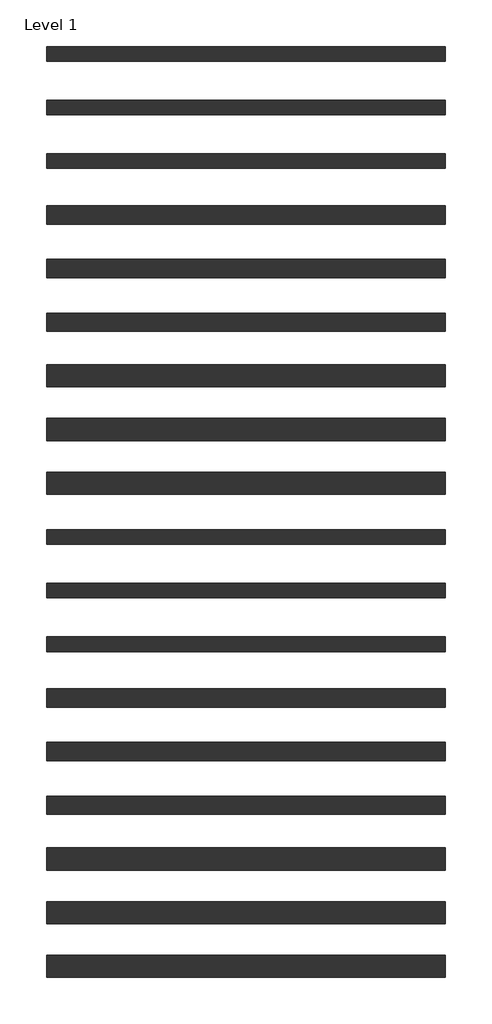
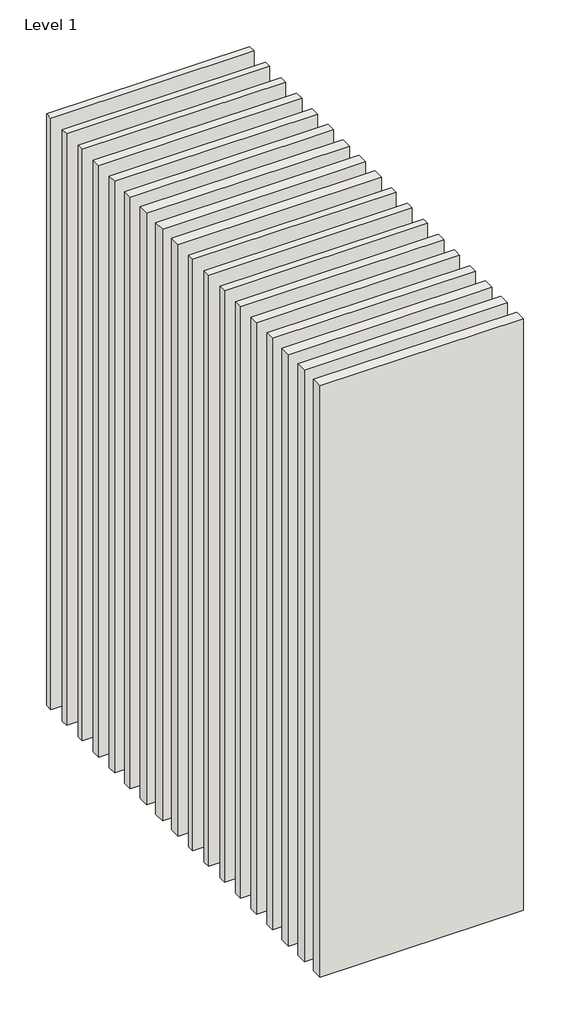
# One storey: 18 walls.
"""IFC4 building model written with IfcOpenShell, lengths in millimetres."""

from ifc_helpers import new_model, si_unit, origin, origin_with_axes, place, context, project, spatial, polyline, outline, extrude, element, save

model = new_model("IFC4")

# Units and contexts
model_context = context("Model", 3, world=origin())
ifc_project = project(units=[si_unit("LENGTHUNIT", "METRE", prefix="MILLI")], contexts=[model_context])

# Site, building, storey
site = spatial("IfcSite", under=ifc_project)
building = spatial("IfcBuilding", under=site)
storey = spatial("IfcBuildingStorey", under=building, Name="Level 1", Elevation=0.0)

# Walls
placement = place(None, origin())
element("IfcWall", 1, at=placement, inside=storey, context=model_context, shape_type="SweptSolid", body=[
    extrude(outline(polyline([(-16904.1464237, 2626.4042935), (-19504.1464237, 2626.4042935), (-19504.1464237, 2746.4042935), (-16904.1464237, 2746.4042935), (-16904.1464237, 2626.4042935)])), origin_with_axes(), (0.0, 0.0, 1.0), 8000.0),
])
element("IfcWall", 2, at=placement, inside=storey, context=model_context, shape_type="SweptSolid", body=[
    extrude(outline(polyline([(-16904.1464237, 2276.4042935), (-19504.1464237, 2276.4042935), (-19504.1464237, 2396.4042935), (-16904.1464237, 2396.4042935), (-16904.1464237, 2276.4042935)])), origin_with_axes(), (0.0, 0.0, 1.0), 8000.0),
])
element("IfcWall", 3, at=placement, inside=storey, context=model_context, shape_type="SweptSolid", body=[
    extrude(outline(polyline([(-16904.1464237, 1926.4042935), (-19504.1464237, 1926.4042935), (-19504.1464237, 2046.4042935), (-16904.1464237, 2046.4042935), (-16904.1464237, 1926.4042935)])), origin_with_axes(), (0.0, 0.0, 1.0), 8000.0),
])
element("IfcWall", 4, at=placement, inside=storey, context=model_context, shape_type="SweptSolid", body=[
    extrude(outline(polyline([(-16904.1464237, 3688.9042935), (-19504.1464237, 3688.9042935), (-19504.1464237, 3783.9042935), (-16904.1464237, 3783.9042935), (-16904.1464237, 3688.9042935)])), origin_with_axes(), (0.0, 0.0, 1.0), 8000.0),
])
element("IfcWall", 5, at=placement, inside=storey, context=model_context, shape_type="SweptSolid", body=[
    extrude(outline(polyline([(-16904.1464237, 3338.9042935), (-19504.1464237, 3338.9042935), (-19504.1464237, 3433.9042935), (-16904.1464237, 3433.9042935), (-16904.1464237, 3338.9042935)])), origin_with_axes(), (0.0, 0.0, 1.0), 8000.0),
])
element("IfcWall", 6, at=placement, inside=storey, context=model_context, shape_type="SweptSolid", body=[
    extrude(outline(polyline([(-16904.1464237, 2988.9042935), (-19504.1464237, 2988.9042935), (-19504.1464237, 3083.9042935), (-16904.1464237, 3083.9042935), (-16904.1464237, 2988.9042935)])), origin_with_axes(), (0.0, 0.0, 1.0), 8000.0),
])
element("IfcWall", 7, at=placement, inside=storey, context=model_context, shape_type="SweptSolid", body=[
    extrude(outline(polyline([(-16904.1464237, 1563.9042935), (-19504.1464237, 1563.9042935), (-19504.1464237, 1708.9042935), (-16904.1464237, 1708.9042935), (-16904.1464237, 1563.9042935)])), origin_with_axes(), (0.0, 0.0, 1.0), 8000.0),
])
element("IfcWall", 8, at=placement, inside=storey, context=model_context, shape_type="SweptSolid", body=[
    extrude(outline(polyline([(-16904.1464237, 1213.9042935), (-19504.1464237, 1213.9042935), (-19504.1464237, 1358.9042935), (-16904.1464237, 1358.9042935), (-16904.1464237, 1213.9042935)])), origin_with_axes(), (0.0, 0.0, 1.0), 8000.0),
])
element("IfcWall", 9, at=placement, inside=storey, context=model_context, shape_type="SweptSolid", body=[
    extrude(outline(polyline([(-16904.1464237, 863.9042935), (-19504.1464237, 863.9042935), (-19504.1464237, 1008.9042935), (-16904.1464237, 1008.9042935), (-16904.1464237, 863.9042935)])), origin_with_axes(), (0.0, 0.0, 1.0), 8000.0),
])
element("IfcWall", 10, at=placement, inside=storey, context=model_context, shape_type="SweptSolid", body=[
    extrude(outline(polyline([(-16904.1464237, 538.9042935), (-19504.1464237, 538.9042935), (-19504.1464237, 633.9042935), (-16904.1464237, 633.9042935), (-16904.1464237, 538.9042935)])), origin_with_axes(), (0.0, 0.0, 1.0), 8000.0),
])
element("IfcWall", 11, at=placement, inside=storey, context=model_context, shape_type="SweptSolid", body=[
    extrude(outline(polyline([(-16904.1464237, 188.9042935), (-19504.1464237, 188.9042935), (-19504.1464237, 283.9042935), (-16904.1464237, 283.9042935), (-16904.1464237, 188.9042935)])), origin_with_axes(), (0.0, 0.0, 1.0), 8000.0),
])
element("IfcWall", 12, at=placement, inside=storey, context=model_context, shape_type="SweptSolid", body=[
    extrude(outline(polyline([(-16904.1464237, -161.0957065), (-19504.1464237, -161.0957065), (-19504.1464237, -66.0957065), (-16904.1464237, -66.0957065), (-16904.1464237, -161.0957065)])), origin_with_axes(), (0.0, 0.0, 1.0), 8000.0),
])
element("IfcWall", 13, at=placement, inside=storey, context=model_context, shape_type="SweptSolid", body=[
    extrude(outline(polyline([(-16904.1464237, -523.5957065), (-19504.1464237, -523.5957065), (-19504.1464237, -403.5957065), (-16904.1464237, -403.5957065), (-16904.1464237, -523.5957065)])), origin_with_axes(), (0.0, 0.0, 1.0), 8000.0),
])
element("IfcWall", 14, at=placement, inside=storey, context=model_context, shape_type="SweptSolid", body=[
    extrude(outline(polyline([(-16904.1464237, -873.5957065), (-19504.1464237, -873.5957065), (-19504.1464237, -753.5957065), (-16904.1464237, -753.5957065), (-16904.1464237, -873.5957065)])), origin_with_axes(), (0.0, 0.0, 1.0), 8000.0),
])
element("IfcWall", 15, at=placement, inside=storey, context=model_context, shape_type="SweptSolid", body=[
    extrude(outline(polyline([(-16904.1464237, -1223.5957065), (-19504.1464237, -1223.5957065), (-19504.1464237, -1103.5957065), (-16904.1464237, -1103.5957065), (-16904.1464237, -1223.5957065)])), origin_with_axes(), (0.0, 0.0, 1.0), 8000.0),
])
element("IfcWall", 16, at=placement, inside=storey, context=model_context, shape_type="SweptSolid", body=[
    extrude(outline(polyline([(-16904.1464237, -1586.0957065), (-19504.1464237, -1586.0957065), (-19504.1464237, -1441.0957065), (-16904.1464237, -1441.0957065), (-16904.1464237, -1586.0957065)])), origin_with_axes(), (0.0, 0.0, 1.0), 8000.0),
])
element("IfcWall", 17, at=placement, inside=storey, context=model_context, shape_type="SweptSolid", body=[
    extrude(outline(polyline([(-16904.1464237, -1936.0957065), (-19504.1464237, -1936.0957065), (-19504.1464237, -1791.0957065), (-16904.1464237, -1791.0957065), (-16904.1464237, -1936.0957065)])), origin_with_axes(), (0.0, 0.0, 1.0), 8000.0),
])
element("IfcWall", 18, at=placement, inside=storey, context=model_context, shape_type="SweptSolid", body=[
    extrude(outline(polyline([(-16904.1464237, -2286.0957065), (-19504.1464237, -2286.0957065), (-19504.1464237, -2141.0957065), (-16904.1464237, -2141.0957065), (-16904.1464237, -2286.0957065)])), origin_with_axes(), (0.0, 0.0, 1.0), 8000.0),
])

save(model, "model.ifc")
